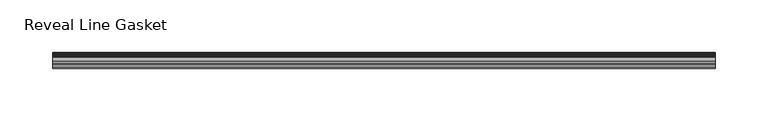
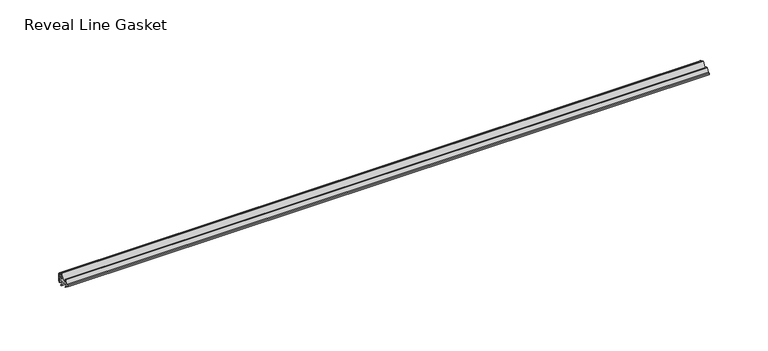
"""IFC4 building model written with IfcOpenShell, lengths in millimetres: furniture geometry, Reveal Line Gasket."""

from ifc_helpers import new_model, si_unit, point, frame, frame_2d, origin, place, context, project, spatial, polyline, circle_curve, trimmed, segment, composite_curve, outline, extrude, source, transform, mapped, element, save


def reveal_line_gasket_983f5021(model_context):
    return source(origin(), model_context, "Body", "SweptSolid", [
        extrude(outline(composite_curve([segment(polyline([(7.6326998, 1603.2), (7.6326998, 1597.2), (7.4091917, 1596.2445073), (6.8813059, 1595.3115316)]), True, "CONTINUOUS"), segment(trimmed(circle_curve(frame_2d((6.5243141, 1595.5135207)), 0.4101739), [point((6.8813059, 1595.3115316))], [point((6.1246704, 1595.6058653))], False, "CARTESIAN"), True, "CONTINUOUS"), segment(polyline([(6.1246704, 1595.6058653), (6.3626997, 1597.3020914), (6.3626997, 1599.3345473)]), True, "CONTINUOUS"), segment(trimmed(circle_curve(frame_2d((5.6959605, 1598.9180742)), 0.786124), [point((6.3626997, 1599.3345473))], [point((5.0926996, 1599.422125))], True, "CARTESIAN"), True, "CONTINUOUS"), segment(polyline([(5.0926996, 1599.422125), (0.7492996, 1599.422125), (3.7293824, 1594.2604705)]), True, "CONTINUOUS"), segment(trimmed(circle_curve(frame_2d((3.3132479, 1594.1950239)), 0.4212495), [point((3.7293824, 1594.2604705))], [point((3.0485022, 1593.8673642))], False, "CARTESIAN"), True, "CONTINUOUS"), segment(polyline([(3.0485022, 1593.8673642), (-0.5742594, 1599.422125), (-4.8262978, 1599.422125), (-3.1660374, 1596.5464703)]), True, "CONTINUOUS"), segment(trimmed(circle_curve(frame_2d((-3.5978728, 1596.4881145)), 0.4357605), [point((-3.1660374, 1596.5464703))], [point((-3.864328, 1596.1433119))], False, "CARTESIAN"), True, "CONTINUOUS"), segment(polyline([(-3.864328, 1596.1433119), (-6.1944059, 1599.422125), (-7.6326998, 1599.422125), (-7.6326998, 1600.977875), (-6.1944059, 1600.977875), (-3.864328, 1604.2566881)]), True, "CONTINUOUS"), segment(trimmed(circle_curve(frame_2d((-3.5978728, 1603.9118855)), 0.4357605), [point((-3.864328, 1604.2566881))], [point((-3.1660374, 1603.8535297))], False, "CARTESIAN"), True, "CONTINUOUS"), segment(polyline([(-3.1660374, 1603.8535297), (-4.8262978, 1600.977875), (-0.5742594, 1600.977875), (3.0485022, 1606.5326358)]), True, "CONTINUOUS"), segment(trimmed(circle_curve(frame_2d((3.3132479, 1606.2049761)), 0.4212495), [point((3.0485022, 1606.5326358))], [point((3.7293824, 1606.1395295))], False, "CARTESIAN"), True, "CONTINUOUS"), segment(polyline([(3.7293824, 1606.1395295), (0.7492996, 1600.977875), (5.0926996, 1600.977875)]), True, "CONTINUOUS"), segment(trimmed(circle_curve(frame_2d((5.6959605, 1601.4819258)), 0.786124), [point((5.0926996, 1600.977875))], [point((6.3626997, 1601.0654527))], True, "CARTESIAN"), True, "CONTINUOUS"), segment(polyline([(6.3626997, 1601.0654527), (6.3626997, 1603.0979086), (6.1246704, 1604.7941347)]), True, "CONTINUOUS"), segment(trimmed(circle_curve(frame_2d((6.5243141, 1604.8864793)), 0.4101739), [point((6.1246704, 1604.7941347))], [point((6.8813059, 1605.0884684))], False, "CARTESIAN"), True, "CONTINUOUS"), segment(polyline([(6.8813059, 1605.0884684), (7.4091917, 1604.1554927), (7.6326998, 1603.2)]), True, "CONTINUOUS")], self_intersect=False)), frame((-315.6204, 0.0, 0.0), z_axis=(1.0, 0.0, 0.0), x_axis=(0.0, 1.0, 0.0)), (0.0, 0.0, 1.0), 631.2408),
    ])


if __name__ == "__main__":
    model = new_model("IFC4")
    model_context = context("Model", 3, world=origin())
    ifc_project = project(units=[si_unit("LENGTHUNIT", "METRE", prefix="MILLI")], contexts=[model_context])
    site = spatial("IfcSite", under=ifc_project)
    building = spatial("IfcBuilding", under=site)
    placement = place(None, origin())
    reveal_line_gasket_shape = reveal_line_gasket_983f5021(model_context)
    element("IfcFurniture", 1, ObjectType="Reveal Line Gasket", at=placement, inside=building, context=model_context, shape_type="MappedRepresentation", body=[
        mapped(reveal_line_gasket_shape, transform((0.0, 0.0, 0.0), x_axis=(1.0, 0.0, 0.0), y_axis=(0.0, 1.0, 0.0), z_axis=(0.0, 0.0, 1.0))),
    ])
    save(model, "model.ifc")
